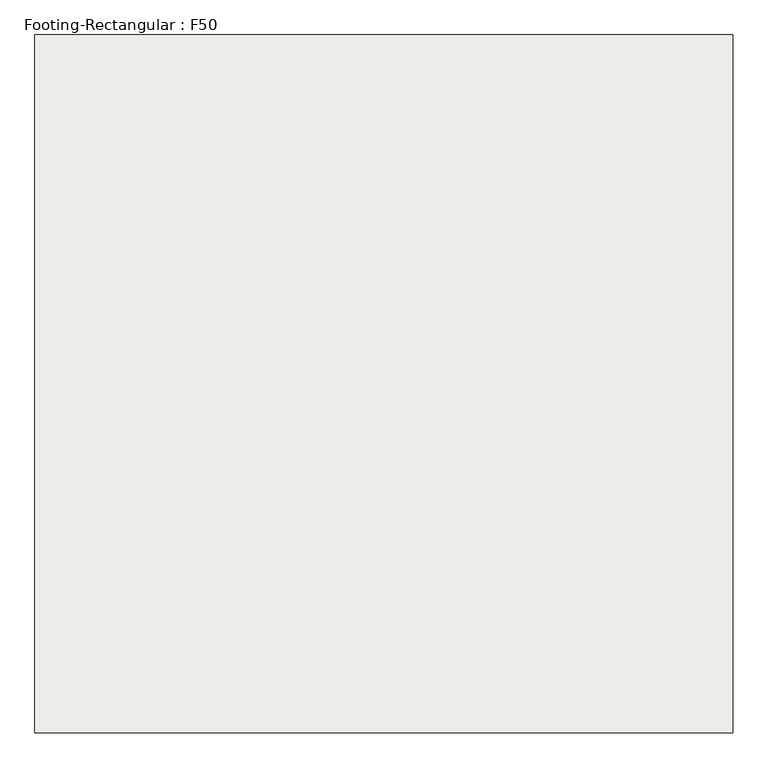
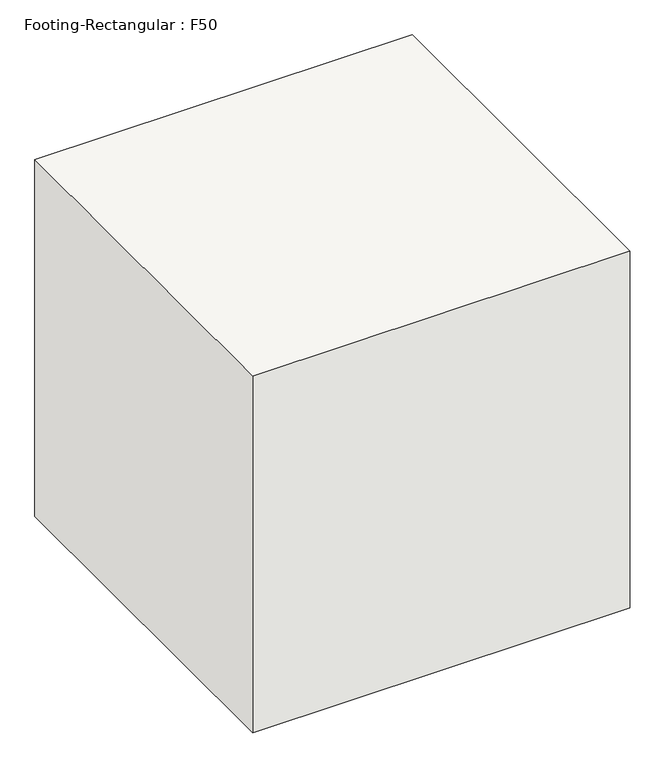
"""IFC4 building model written with IfcOpenShell, lengths in millimetres: slab geometry, Footing-Rectangular : F50."""

from ifc_helpers import new_model, si_unit, frame, origin, place, context, project, spatial, polyline, outline, extrude, source, transform, mapped, element, save


def footing_rectangular_f50_470516dc(model_context):
    return source(origin(), model_context, "Body", "SweptSolid", [
        extrude(outline(polyline([(762.0, 762.0), (762.0, -762.0), (-762.0, -762.0), (-762.0, 762.0), (762.0, 762.0)])), frame((0.0, 0.0, -1524.0), z_axis=(0.0, 0.0, 1.0), x_axis=(1.0, 0.0, 0.0)), (0.0, 0.0, 1.0), 1524.0),
    ])


if __name__ == "__main__":
    model = new_model("IFC4")
    model_context = context("Model", 3, world=origin())
    ifc_project = project(units=[si_unit("LENGTHUNIT", "METRE", prefix="MILLI")], contexts=[model_context])
    site = spatial("IfcSite", under=ifc_project)
    building = spatial("IfcBuilding", under=site)
    placement = place(None, origin())
    footing_rectangular_f50_shape = footing_rectangular_f50_470516dc(model_context)
    element("IfcSlab", 1, ObjectType="Footing-Rectangular : F50", at=placement, inside=building, context=model_context, shape_type="MappedRepresentation", body=[
        mapped(footing_rectangular_f50_shape, transform((0.0, 0.0, 0.0), x_axis=(1.0, 0.0, 0.0), y_axis=(0.0, 1.0, 0.0), z_axis=(0.0, 0.0, 1.0))),
    ])
    save(model, "model.ifc")
